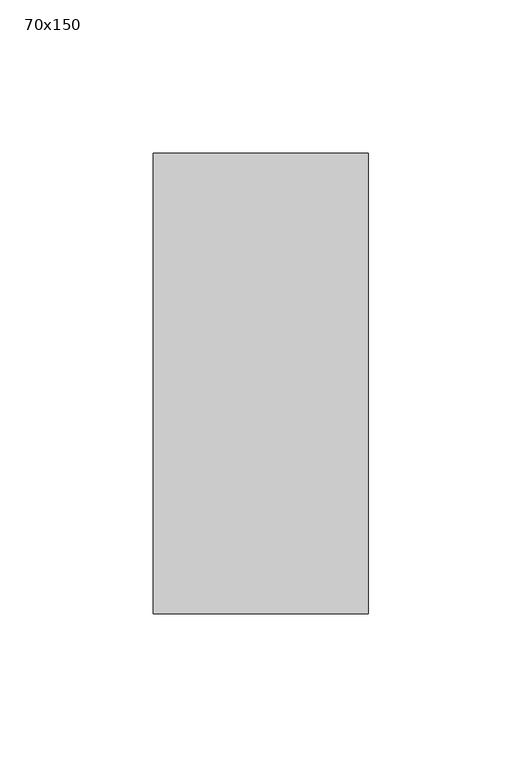
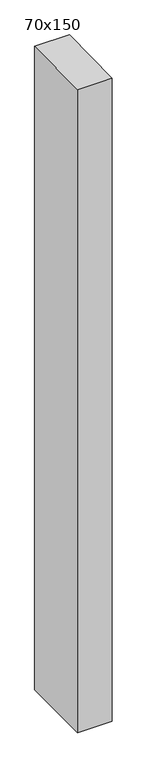
"""IFC4 building model written with IfcOpenShell, lengths in millimetres: member geometry, 70x150."""

from ifc_helpers import new_model, si_unit, frame, origin, place, context, project, spatial, polyline, outline, extrude, source, transform, mapped, element, save


def member_70x150_47f9d012(model_context):
    return source(origin(), model_context, "Body", "SweptSolid", [
        extrude(outline(polyline([(-75.0, -0.5571557), (75.0, 0.5571557), (75.0, -1373.8873906), (-75.0, -1374.1171213), (-75.0, -0.5571557)])), frame((-70.0, 0.0, 0.0), z_axis=(1.0, 0.0, 0.0), x_axis=(0.0, 1.0, 0.0)), (0.0, 0.0, 1.0), 70.0),
    ])


if __name__ == "__main__":
    model = new_model("IFC4")
    model_context = context("Model", 3, world=origin())
    ifc_project = project(units=[si_unit("LENGTHUNIT", "METRE", prefix="MILLI")], contexts=[model_context])
    site = spatial("IfcSite", under=ifc_project)
    building = spatial("IfcBuilding", under=site)
    placement = place(None, origin())
    member_70x150_shape = member_70x150_47f9d012(model_context)
    element("IfcMember", 1, ObjectType="70x150", at=placement, inside=building, context=model_context, shape_type="MappedRepresentation", body=[
        mapped(member_70x150_shape, transform((0.0, 0.0, 0.0), x_axis=(1.0, 0.0, 0.0), y_axis=(0.0, 1.0, 0.0), z_axis=(0.0, 0.0, 1.0))),
    ])
    save(model, "model.ifc")
